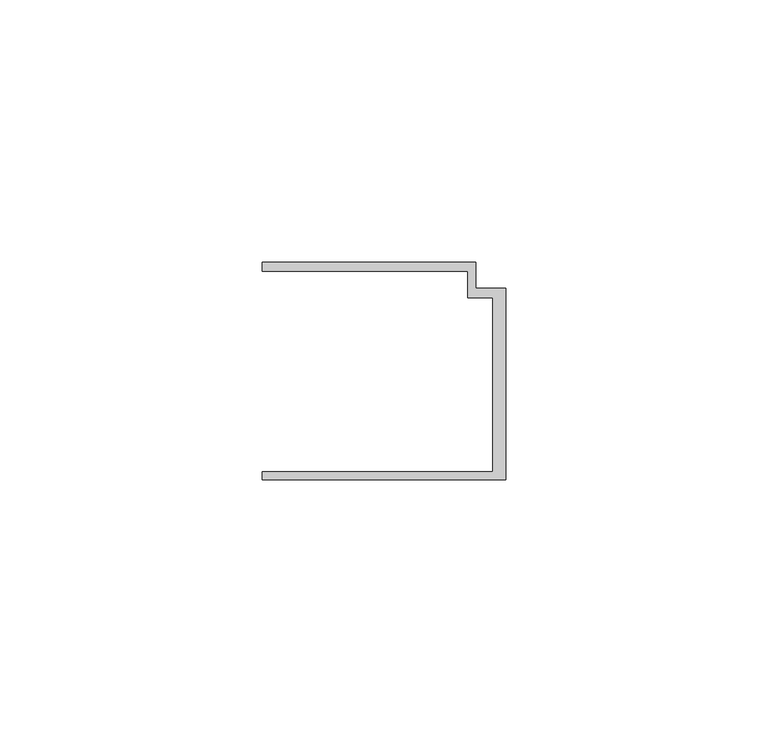
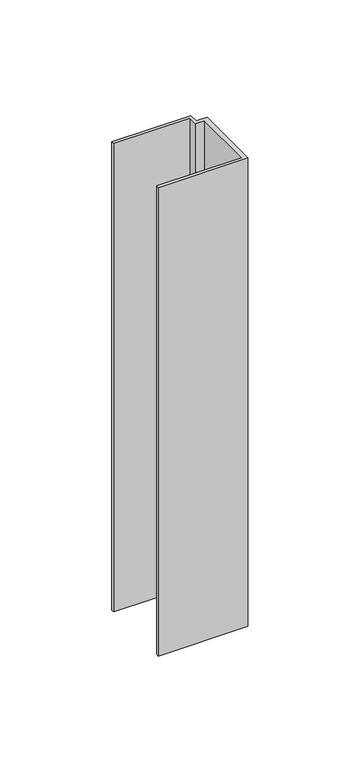
"""IFC4 building model written with IfcOpenShell, lengths in millimetres: member geometry."""

from ifc_helpers import new_model, si_unit, frame, origin, place, context, project, spatial, polyline, outline, extrude, source, transform, mapped, element, save


def member_3779cc0c(model_context):
    return source(origin(), model_context, "Body", "SweptSolid", [
        extrude(outline(polyline([(-46.3, -19.2), (-2.4, -19.2), (-2.4, 14.0), (-7.2, 14.0), (-7.2, 19.0), (-46.3, 19.0), (-46.3, 20.7), (-5.6999992, 20.7), (-5.6999992, 15.8), (0.0, 15.8), (0.0, -20.7), (-46.3, -20.7), (-46.3, -19.2)])), frame((0.0, 0.0, -255.5631359), z_axis=(0.0, 0.0, 1.0), x_axis=(1.0, 0.0, 0.0)), (0.0, 0.0, 1.0), 255.5631359),
    ])


if __name__ == "__main__":
    model = new_model("IFC4")
    model_context = context("Model", 3, world=origin())
    ifc_project = project(units=[si_unit("LENGTHUNIT", "METRE", prefix="MILLI")], contexts=[model_context])
    site = spatial("IfcSite", under=ifc_project)
    building = spatial("IfcBuilding", under=site)
    placement = place(None, origin())
    member_shape = member_3779cc0c(model_context)
    element("IfcMember", 1, at=placement, inside=building, context=model_context, shape_type="MappedRepresentation", body=[
        mapped(member_shape, transform((0.0, 0.0, 0.0), x_axis=(1.0, 0.0, 0.0), y_axis=(0.0, 1.0, 0.0), z_axis=(0.0, 0.0, 1.0))),
    ])
    save(model, "model.ifc")
